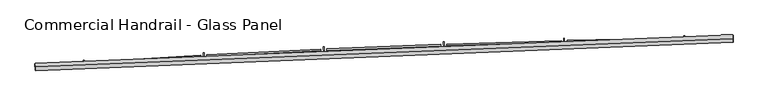
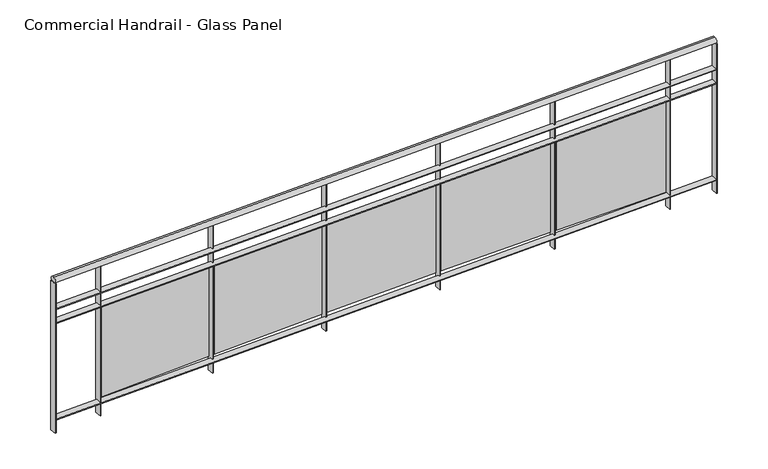
"""IFC4 building model written with IfcOpenShell, lengths in millimetres: railing geometry, Commercial Handrail - Glass Panel."""

import ifcopenshell
import ifcopenshell.guid

model = None  # the IFC model being written
_history = None  # IfcOwnerHistory: only IFC2X3 demands one
_inside = {}  # id of a spatial element -> (the spatial element, [elements in it])
_under = {}  # id of a project, library or spatial element -> (it, [spatial elements below it])
_declared = {}  # id of a project -> (the project, [libraries it declares])
_typed = {}  # id of a type object -> (the type object, [elements of that type])
_made_of = {}  # id of a material, layer set ... -> (it, [elements and type objects made of it])


def new_model(schema):
    """Start an empty IFC model of exactly this schema.

    Asked for "IFC4X3", IfcOpenShell would pick the latest addendum, in which some entities
    have other attributes; the version numbers below select the first issue.
    IFC2X3 requires an IfcOwnerHistory on every rooted entity: one is made here for all.
    """
    global model, _history
    if schema == "IFC4X3":
        model = ifcopenshell.file(schema_version=(4, 3, 0, 0))
    else:
        model = ifcopenshell.file(schema=schema)
    _inside.clear()
    _under.clear()
    _declared.clear()
    _typed.clear()
    _made_of.clear()
    _history = None
    if model.schema == "IFC2X3":
        org = make("IfcOrganization", Name="unknown")
        user = make(
            "IfcPersonAndOrganization",
            ThePerson=make("IfcPerson", FamilyName="unknown"),
            TheOrganization=org,
        )
        app = make(
            "IfcApplication",
            ApplicationDeveloper=org,
            Version="unknown",
            ApplicationFullName="unknown",
            ApplicationIdentifier="unknown",
        )
        _history = make(
            "IfcOwnerHistory",
            OwningUser=user,
            OwningApplication=app,
            ChangeAction="ADDED",
            CreationDate=0,
        )
    return model


def make(cls, **values):
    """One entity of the class cls with the attributes given. An attribute that is None is left unset."""
    return model.create_entity(
        cls, **{name: value for name, value in values.items() if value is not None}
    )


def rooted(cls, **values):
    """An entity with a GlobalId (a new one), such as an element, a storey or a relation."""
    return make(cls, GlobalId=ifcopenshell.guid.new(), OwnerHistory=_history, **values)


def si_unit(unit_type, name, prefix=None):
    """IfcSIUnit, for example si_unit("LENGTHUNIT", "METRE", prefix="MILLI")."""
    return make("IfcSIUnit", UnitType=unit_type, Prefix=prefix, Name=name)


def assignment(units):
    """IfcUnitAssignment: the units of a project."""
    return None if units is None else make("IfcUnitAssignment", Units=units)


def point(xyz):
    """IfcCartesianPoint."""
    return None if xyz is None else make("IfcCartesianPoint", Coordinates=xyz)


def direction(xyz):
    """IfcDirection."""
    return None if xyz is None else make("IfcDirection", DirectionRatios=xyz)


def frame(location, z_axis=None, x_axis=None):
    """IfcAxis2Placement3D, a coordinate frame: its origin and axes. An axis left out is left unset."""
    return make(
        "IfcAxis2Placement3D",
        Location=point(location),
        Axis=direction(z_axis),
        RefDirection=direction(x_axis),
    )


def origin():
    """The frame at (0, 0, 0) with its axes left unset."""
    return frame((0.0, 0.0, 0.0))


def place(relative_to, where):
    """IfcLocalPlacement: puts the frame where relative to a parent placement (None: the world)."""
    return make(
        "IfcLocalPlacement", PlacementRelTo=relative_to, RelativePlacement=where
    )


def context(
    kind, dimensions, precision=None, world=None, true_north=None, identifier=None
):
    """IfcGeometricRepresentationContext, for example the 3D "Model" context."""
    return make(
        "IfcGeometricRepresentationContext",
        ContextIdentifier=identifier,
        ContextType=kind,
        CoordinateSpaceDimension=dimensions,
        Precision=precision,
        WorldCoordinateSystem=world,
        TrueNorth=true_north,
    )


def project(units=None, contexts=None):
    """IfcProject with its units and contexts."""
    return rooted(
        "IfcProject",
        Name="project",
        RepresentationContexts=contexts,
        UnitsInContext=assignment(units),
    )


def spatial(cls, under=None, at=None, **own):
    """A site, building, storey or space (cls), placed at a placement, below another one or the project."""
    s = rooted(cls, ObjectPlacement=at, **own)
    if under is not None:
        _under.setdefault(under.id(), (under, []))[1].append(s)
    return s


def polyline(points):
    """IfcPolyline through the points."""
    return make("IfcPolyline", Points=[point(p) for p in points])


def circle_curve(where, radius):
    """IfcCircle in the frame where."""
    return make("IfcCircle", Position=where, Radius=radius)


def ellipse_curve(where, semi_axis1, semi_axis2):
    """IfcEllipse in the frame where."""
    return make(
        "IfcEllipse", Position=where, SemiAxis1=semi_axis1, SemiAxis2=semi_axis2
    )


def trimmed(basis, trim1, trim2, sense, master):
    """IfcTrimmedCurve: the piece of a basis curve between two trims."""
    return make(
        "IfcTrimmedCurve",
        BasisCurve=basis,
        Trim1=trim1,
        Trim2=trim2,
        SenseAgreement=sense,
        MasterRepresentation=master,
    )


def outline(outer, holes=None, kind="AREA"):
    """IfcArbitraryClosedProfileDef: a profile drawn as a closed curve; with holes, ...WithVoids."""
    if holes is None:
        return make("IfcArbitraryClosedProfileDef", ProfileType=kind, OuterCurve=outer)
    return make(
        "IfcArbitraryProfileDefWithVoids",
        ProfileType=kind,
        OuterCurve=outer,
        InnerCurves=holes,
    )


def extrude(swept, where, along, depth):
    """IfcExtrudedAreaSolid: the profile swept, set in the frame where, extruded along a direction by depth."""
    return make(
        "IfcExtrudedAreaSolid",
        SweptArea=swept,
        Position=where,
        ExtrudedDirection=direction(along),
        Depth=depth,
    )


def shape(context_of_items, identifier, shape_type, items):
    """IfcShapeRepresentation: the items that make up one representation, for example the "Body"."""
    return make(
        "IfcShapeRepresentation",
        ContextOfItems=context_of_items,
        RepresentationIdentifier=identifier,
        RepresentationType=shape_type,
        Items=items,
    )


def source(mapping_origin, context_of_items, identifier, shape_type, items):
    """IfcRepresentationMap: a shape defined once, which mapped items show again and again."""
    return make(
        "IfcRepresentationMap",
        MappingOrigin=mapping_origin,
        MappedRepresentation=shape(context_of_items, identifier, shape_type, items),
    )


def transform(
    local_origin,
    x_axis=None,
    y_axis=None,
    z_axis=None,
    scale=None,
    scale2=None,
    scale3=None,
    uniform=True,
):
    """IfcCartesianTransformationOperator3D, or its non-uniform kind. x_axis, y_axis, z_axis: its Axis1, 2, 3."""
    if uniform:
        return make(
            "IfcCartesianTransformationOperator3D",
            Axis1=direction(x_axis),
            Axis2=direction(y_axis),
            LocalOrigin=point(local_origin),
            Scale=scale,
            Axis3=direction(z_axis),
        )
    return make(
        "IfcCartesianTransformationOperator3DnonUniform",
        Axis1=direction(x_axis),
        Axis2=direction(y_axis),
        LocalOrigin=point(local_origin),
        Scale=scale,
        Axis3=direction(z_axis),
        Scale2=scale2,
        Scale3=scale3,
    )


def mapped(mapping_source, mapping_target):
    """IfcMappedItem: shows the shape of a source again, moved by a transform."""
    return make(
        "IfcMappedItem", MappingSource=mapping_source, MappingTarget=mapping_target
    )


def made_of(thing, what):
    """Note that an element or type object is made of a material, layer set ...; save() writes the relation."""
    if what is not None:
        _made_of.setdefault(what.id(), (what, []))[1].append(thing)
    return thing


def element(
    cls,
    number,
    at=None,
    inside=None,
    cuts=None,
    type_object=None,
    material=None,
    context=None,
    identifier="Body",
    shape_type=None,
    held_by="IfcProductDefinitionShape",
    body=None,
    shapes=None,
    **own,
):
    """One element of the class cls, such as IfcWall. Its Tag is "e" and its number.

    at: its placement. inside: the storey or other place that contains it. cuts: it is an
    opening in that element (IfcRelVoidsElement). A single representation is given by context,
    identifier, shape_type and body (its items); several are given by shapes. held_by: the class
    of the entity that holds the representations. save() writes the other relations.
    """
    e = rooted(cls, Tag="e%d" % number, ObjectPlacement=at, **own)
    if body is not None:
        shapes = [shape(context, identifier, shape_type, body)]
    if shapes is not None:
        e.Representation = make(held_by, Representations=shapes)
    if inside is not None:
        _inside.setdefault(inside.id(), (inside, []))[1].append(e)
    if cuts is not None:
        rooted(
            "IfcRelVoidsElement", RelatingBuildingElement=cuts, RelatedOpeningElement=e
        )
    if type_object is not None:
        _typed.setdefault(type_object.id(), (type_object, []))[1].append(e)
    return made_of(e, material)


def aggregate(whole, parts):
    """IfcRelAggregates: a whole, such as a stair, and the parts it consists of."""
    return rooted("IfcRelAggregates", RelatingObject=whole, RelatedObjects=parts)


def save(model, path):
    """Write the relations noted so far, then the file.

    IfcRelAggregates (storeys below a building ...), IfcRelContainedInSpatialStructure (elements
    in a storey), IfcRelDefinesByType, IfcRelAssociatesMaterial and IfcRelDeclares: one each for
    every whole, place, type object, material and project.
    """
    for whole, parts in _under.values():
        aggregate(whole, parts)
    for where, things in _inside.values():
        rooted(
            "IfcRelContainedInSpatialStructure",
            RelatedElements=things,
            RelatingStructure=where,
        )
    for kind, things in _typed.values():
        rooted("IfcRelDefinesByType", RelatedObjects=things, RelatingType=kind)
    for what, things in _made_of.values():
        rooted("IfcRelAssociatesMaterial", RelatedObjects=things, RelatingMaterial=what)
    for by, libraries in _declared.values():
        rooted("IfcRelDeclares", RelatingContext=by, RelatedDefinitions=libraries)
    model.write(path)


def plane_surface(at):
    """IfcPlane: the flat surface through the origin of the frame at, square to its z axis."""
    return make("IfcPlane", Position=at)


def cylinder_surface(at, radius):
    """IfcCylindricalSurface: all points at the distance radius from the z axis of the frame at."""
    return make("IfcCylindricalSurface", Position=at, Radius=radius)


def revolved_surface(curve, axis_point, axis_direction):
    """IfcSurfaceOfRevolution: the curve turned about the line through axis_point along axis_direction."""
    return make(
        "IfcSurfaceOfRevolution",
        SweptCurve=make("IfcArbitraryOpenProfileDef", ProfileType="CURVE", Curve=curve),
        AxisPosition=make("IfcAxis1Placement", Location=point(axis_point), Axis=direction(axis_direction)),
    )


def advanced_brep(points, edges, surfaces, faces):
    """IfcAdvancedBrep: a solid bounded by faces that lie on surfaces and meet in shared edges.

    An edge is (start, end): straight between two places in points (the first is 0);
    or (start, end, curve); or (start, end, curve, False) where it runs against its curve.
    A face is (place in surfaces, loops), or (place, loops, False) where it looks against
    its surface's normal. A loop lists edges by number (the first is 1), with a minus sign
    where the edge is run from its end to its start. The first loop is the outer one.
    """
    corners = [point(p) for p in points]
    vertices = [make("IfcVertexPoint", VertexGeometry=c) for c in corners]
    made = []
    for start, end, *more in edges:
        made.append(
            make(
                "IfcEdgeCurve",
                EdgeStart=vertices[start],
                EdgeEnd=vertices[end],
                EdgeGeometry=more[0] if more else make("IfcPolyline", Points=[corners[start], corners[end]]),
                SameSense=more[1] if len(more) > 1 else True,
            )
        )
    hull = []
    for where, loops, *sense in faces:
        bounds = []
        for j, loop in enumerate(loops):
            ring = [make("IfcOrientedEdge", EdgeElement=made[abs(k) - 1], Orientation=k > 0) for k in loop]
            bounds.append(
                make(
                    "IfcFaceOuterBound" if j == 0 else "IfcFaceBound",
                    Bound=make("IfcEdgeLoop", EdgeList=ring),
                    Orientation=True,
                )
            )
        hull.append(make("IfcAdvancedFace", Bounds=bounds, FaceSurface=surfaces[where], SameSense=sense[0] if sense else True))
    return make("IfcAdvancedBrep", Outer=make("IfcClosedShell", CfsFaces=hull))


def commercial_handrail_glass_panel_a0b59a0e(model_context):
    return source(origin(), model_context, "Body", "SolidModel", [
        advanced_brep(
        [(71505.6861982, -30835.0475146, 9482.5), (76144.1741708, -30647.2976365, 9482.5), (76144.1741708, -30647.2976365, 9517.5), (71505.6861982, -30835.0475146, 9517.5)],
        [
            (0, 1, circle_curve(frame((76915.8591208, -107104.6666099, 9482.5), z_axis=(0.0, 0.0, -1.0), x_axis=(-0.010092495439534601, 0.9999490694709421, 0.0)), 76461.263186)),
            (1, 2, ellipse_curve(frame((76144.1741708, -30647.2976365, 9500.0), z_axis=(-0.9999490694709422, -0.010092495439541008, 0.0), x_axis=(-0.010092495439541006, 0.999949069470942, 0.0)), 25.0, 17.5)),
            (2, 3, circle_curve(frame((76915.8591208, -107104.6666099, 9517.5), z_axis=(0.0, 0.0, 1.0), x_axis=(-0.010092495439534601, 0.9999490694709421, 0.0)), 76461.263186)),
            (3, 0, ellipse_curve(frame((71505.6861982, -30835.0475146, 9500.0), z_axis=(0.9974935793277843, 0.07075704346455958, 0.0), x_axis=(-0.07075704346455956, 0.997493579327784, 0.0)), 25.0, 17.5)),
            (2, 1, ellipse_curve(frame((76144.1741708, -30647.2976365, 9500.0), z_axis=(-0.9999490694709422, -0.010092495439541008, 0.0), x_axis=(-0.010092495439541006, 0.999949069470942, 0.0)), 25.0, 17.5)),
            (0, 3, ellipse_curve(frame((71505.6861982, -30835.0475146, 9500.0), z_axis=(0.9974935793277843, 0.07075704346455958, 0.0), x_axis=(-0.07075704346455956, 0.997493579327784, 0.0)), 25.0, 17.5)),
        ],
        [
            revolved_surface(trimmed(ellipse_curve(frame((76144.1741708, -30647.2976365, 9500.0), z_axis=(0.9999490694709421, 0.010092495439534601, 0.0), x_axis=(0.0, 0.0, -1.0)), 17.5, 25.0), [point((76144.1741708, -30647.2976365, 9517.5))], [point((76144.1741708, -30647.2976365, 9482.5))], True, "CARTESIAN"), (76915.8591208, -107104.6666099, 9500.0), (0.0, 0.0, 1.0)),
            revolved_surface(trimmed(ellipse_curve(frame((76144.1741708, -30647.2976365, 9500.0), z_axis=(0.9999490694709421, 0.010092495439534601, 0.0), x_axis=(0.0, 0.0, -1.0)), 17.5, 25.0), [point((76144.1741708, -30647.2976365, 9482.5))], [point((76144.1741708, -30647.2976365, 9517.5))], True, "CARTESIAN"), (76915.8591208, -107104.6666099, 9500.0), (0.0, 0.0, 1.0)),
            plane_surface(frame((76144.1741708, -30647.2976365, 9500.0), z_axis=(0.9999490694709421, 0.010092495439534601, 0.0), x_axis=(0.010092495439534601, -0.9999490694709421, 0.0))),
            plane_surface(frame((71505.6861982, -30835.0475146, 9500.0), z_axis=(-0.9974935793277843, -0.07075704346455959, 0.0), x_axis=(0.07075704346455959, -0.9974935793277843, 0.0))),
        ],
        [
            (0, [[1, 2, 3, 4]]),
            (1, [[-3, 5, -1, 6]]),
            (2, [[-2, -5]]),
            (3, [[-6, -4]]),
        ],
    ),
        advanced_brep(
        [(71507.2782316, -30857.4911202, 9300.0), (76144.4012519, -30669.7964906, 9300.0), (76143.9470896, -30624.7987825, 9300.0), (71504.0941647, -30812.6039091, 9300.0), (71507.2782316, -30857.4911202, 9294.0), (76144.4012519, -30669.7964906, 9294.0), (71504.0941647, -30812.6039091, 9294.0), (76143.9470896, -30624.7987825, 9294.0)],
        [
            (0, 1, circle_curve(frame((76915.8591208, -107104.6666099, 9300.0), z_axis=(0.0, 0.0, -1.0), x_axis=(-0.010092495439534601, 0.9999490694709421, 0.0)), 76438.763186)),
            (1, 2),
            (2, 3, circle_curve(frame((76915.8591208, -107104.6666099, 9300.0), z_axis=(0.0, 0.0, 1.0), x_axis=(-0.010092495439534601, 0.9999490694709421, 0.0)), 76483.763186)),
            (3, 0),
            (4, 5, circle_curve(frame((76915.8591208, -107104.6666099, 9294.0), z_axis=(0.0, 0.0, -1.0), x_axis=(-0.010092495439534601, 0.9999490694709421, 0.0)), 76438.763186)),
            (5, 1),
            (0, 4),
            (6, 7, circle_curve(frame((76915.8591208, -107104.6666099, 9294.0), z_axis=(0.0, 0.0, -1.0), x_axis=(-0.010092495439534601, 0.9999490694709421, 0.0)), 76483.763186)),
            (7, 5),
            (4, 6),
            (2, 7),
            (6, 3),
        ],
        [
            plane_surface(frame((76915.8591208, -107104.6666099, 9300.0), z_axis=(0.0, 0.0, 1.0), x_axis=(-0.010092495439534601, 0.9999490694709421, 0.0))),
            revolved_surface(polyline([(76144.40125194163, -30669.796490549605, 9300.0), (76144.40125194163, -30669.796490549605, 9294.0)]), (76915.8591208, -107104.6666099, 9300.0), (0.0, 0.0, 1.0)),
            plane_surface(frame((76915.8591208, -107104.6666099, 9294.0), z_axis=(0.0, 0.0, -1.0), x_axis=(-0.010092495439534601, 0.9999490694709421, 0.0))),
            cylinder_surface(frame((76915.8591208, -107104.6666099, 9300.0), z_axis=(0.0, 0.0, 1.0), x_axis=(-0.010092495439534601, 0.9999490694709421, 0.0)), 76483.763186),
            plane_surface(frame((76144.1741708, -30647.2976365, 9300.0), z_axis=(0.9999490694709421, 0.010092495439534601, 0.0), x_axis=(0.010092495439534601, -0.9999490694709421, 0.0))),
            plane_surface(frame((71505.6861982, -30835.0475146, 9300.0), z_axis=(-0.9974935793277843, -0.07075704346455959, 0.0), x_axis=(0.07075704346455959, -0.9974935793277843, 0.0))),
        ],
        [
            (0, [[1, 2, 3, 4]]),
            (1, [[5, 6, -1, 7]]),
            (2, [[8, 9, -5, 10]]),
            (3, [[-3, 11, -8, 12]]),
            (4, [[-2, -6, -9, -11]]),
            (5, [[-12, -10, -7, -4]]),
        ],
    ),
        advanced_brep(
        [(71507.2782316, -30857.4911202, 9200.0), (76144.4012519, -30669.7964906, 9200.0), (76143.9470896, -30624.7987825, 9200.0), (71504.0941647, -30812.6039091, 9200.0), (71507.2782316, -30857.4911202, 9194.0), (76144.4012519, -30669.7964906, 9194.0), (71504.0941647, -30812.6039091, 9194.0), (76143.9470896, -30624.7987825, 9194.0)],
        [
            (0, 1, circle_curve(frame((76915.8591208, -107104.6666099, 9200.0), z_axis=(0.0, 0.0, -1.0), x_axis=(-0.010092495439534601, 0.9999490694709421, 0.0)), 76438.763186)),
            (1, 2),
            (2, 3, circle_curve(frame((76915.8591208, -107104.6666099, 9200.0), z_axis=(0.0, 0.0, 1.0), x_axis=(-0.010092495439534601, 0.9999490694709421, 0.0)), 76483.763186)),
            (3, 0),
            (4, 5, circle_curve(frame((76915.8591208, -107104.6666099, 9194.0), z_axis=(0.0, 0.0, -1.0), x_axis=(-0.010092495439534601, 0.9999490694709421, 0.0)), 76438.763186)),
            (5, 1),
            (0, 4),
            (6, 7, circle_curve(frame((76915.8591208, -107104.6666099, 9194.0), z_axis=(0.0, 0.0, -1.0), x_axis=(-0.010092495439534601, 0.9999490694709421, 0.0)), 76483.763186)),
            (7, 5),
            (4, 6),
            (2, 7),
            (6, 3),
        ],
        [
            plane_surface(frame((76915.8591208, -107104.6666099, 9200.0), z_axis=(0.0, 0.0, 1.0), x_axis=(-0.010092495439534601, 0.9999490694709421, 0.0))),
            revolved_surface(polyline([(76144.40125194163, -30669.796490549605, 9200.0), (76144.40125194163, -30669.796490549605, 9194.0)]), (76915.8591208, -107104.6666099, 9200.0), (0.0, 0.0, 1.0)),
            plane_surface(frame((76915.8591208, -107104.6666099, 9194.0), z_axis=(0.0, 0.0, -1.0), x_axis=(-0.010092495439534601, 0.9999490694709421, 0.0))),
            cylinder_surface(frame((76915.8591208, -107104.6666099, 9200.0), z_axis=(0.0, 0.0, 1.0), x_axis=(-0.010092495439534601, 0.9999490694709421, 0.0)), 76483.763186),
            plane_surface(frame((76144.1741708, -30647.2976365, 9200.0), z_axis=(0.9999490694709421, 0.010092495439534601, 0.0), x_axis=(0.010092495439534601, -0.9999490694709421, 0.0))),
            plane_surface(frame((71505.6861982, -30835.0475146, 9200.0), z_axis=(-0.9974935793277843, -0.07075704346455959, 0.0), x_axis=(0.07075704346455959, -0.9974935793277843, 0.0))),
        ],
        [
            (0, [[1, 2, 3, 4]]),
            (1, [[5, 6, -1, 7]]),
            (2, [[8, 9, -5, 10]]),
            (3, [[-3, 11, -8, 12]]),
            (4, [[-2, -6, -9, -11]]),
            (5, [[-12, -10, -7, -4]]),
        ],
    ),
        advanced_brep(
        [(71507.2782316, -30857.4911202, 8500.0), (76144.4012519, -30669.7964906, 8500.0), (76143.9470896, -30624.7987825, 8500.0), (71504.0941647, -30812.6039091, 8500.0), (71507.2782316, -30857.4911202, 8494.0), (76144.4012519, -30669.7964906, 8494.0), (71504.0941647, -30812.6039091, 8494.0), (76143.9470896, -30624.7987825, 8494.0)],
        [
            (0, 1, circle_curve(frame((76915.8591208, -107104.6666099, 8500.0), z_axis=(0.0, 0.0, -1.0), x_axis=(-0.010092495439534601, 0.9999490694709421, 0.0)), 76438.763186)),
            (1, 2),
            (2, 3, circle_curve(frame((76915.8591208, -107104.6666099, 8500.0), z_axis=(0.0, 0.0, 1.0), x_axis=(-0.010092495439534601, 0.9999490694709421, 0.0)), 76483.763186)),
            (3, 0),
            (4, 5, circle_curve(frame((76915.8591208, -107104.6666099, 8494.0), z_axis=(0.0, 0.0, -1.0), x_axis=(-0.010092495439534601, 0.9999490694709421, 0.0)), 76438.763186)),
            (5, 1),
            (0, 4),
            (6, 7, circle_curve(frame((76915.8591208, -107104.6666099, 8494.0), z_axis=(0.0, 0.0, -1.0), x_axis=(-0.010092495439534601, 0.9999490694709421, 0.0)), 76483.763186)),
            (7, 5),
            (4, 6),
            (2, 7),
            (6, 3),
        ],
        [
            plane_surface(frame((76915.8591208, -107104.6666099, 8500.0), z_axis=(0.0, 0.0, 1.0), x_axis=(-0.010092495439534601, 0.9999490694709421, 0.0))),
            revolved_surface(polyline([(76144.40125194163, -30669.796490549605, 8500.0), (76144.40125194163, -30669.796490549605, 8494.0)]), (76915.8591208, -107104.6666099, 8500.0), (0.0, 0.0, 1.0)),
            plane_surface(frame((76915.8591208, -107104.6666099, 8494.0), z_axis=(0.0, 0.0, -1.0), x_axis=(-0.010092495439534601, 0.9999490694709421, 0.0))),
            cylinder_surface(frame((76915.8591208, -107104.6666099, 8500.0), z_axis=(0.0, 0.0, 1.0), x_axis=(-0.010092495439534601, 0.9999490694709421, 0.0)), 76483.763186),
            plane_surface(frame((76144.1741708, -30647.2976365, 8500.0), z_axis=(0.9999490694709421, 0.010092495439534601, 0.0), x_axis=(0.010092495439534601, -0.9999490694709421, 0.0))),
            plane_surface(frame((71505.6861982, -30835.0475146, 8500.0), z_axis=(-0.9974935793277843, -0.07075704346455959, 0.0), x_axis=(0.07075704346455959, -0.9974935793277843, 0.0))),
        ],
        [
            (0, [[1, 2, 3, 4]]),
            (1, [[5, 6, -1, 7]]),
            (2, [[8, 9, -5, 10]]),
            (3, [[-3, 11, -8, 12]]),
            (4, [[-2, -6, -9, -11]]),
            (5, [[-12, -10, -7, -4]]),
        ],
    ),
        extrude(outline(polyline([(71827.922694, -30790.3236395), (71830.9179943, -30835.2238419), (71824.9313006, -30835.6232153), (71821.9360003, -30790.7230129), (71827.922694, -30790.3236395)])), frame((0.0, 0.0, 8400.0), z_axis=(0.0, 0.0, 1.0), x_axis=(1.0, 0.0, 0.0)), (0.0, 0.0, 1.0), 1082.1192282),
        extrude(outline(polyline([(72605.2601762, -30770.0715329), (71846.6913818, -30816.6911009), (71845.9552833, -30804.7136989), (72604.5240778, -30758.0941309), (72605.2601762, -30770.0715329)])), frame((0.0, 0.0, 8520.0), z_axis=(0.0, 0.0, 1.0), x_axis=(1.0, 0.0, 0.0)), (0.0, 0.0, 1.0), 660.0),
        extrude(outline(polyline([(72626.649414, -30741.2675225), (72629.1747764, -30786.1966061), (72623.184232, -30786.533321), (72620.6588695, -30741.6042375), (72626.649414, -30741.2675225)])), frame((0.0, 0.0, 8400.0), z_axis=(0.0, 0.0, 1.0), x_axis=(1.0, 0.0, 0.0)), (0.0, 0.0, 1.0), 1082.1192282),
        extrude(outline(polyline([(73404.156239, -30729.1495138), (72645.1412017, -30767.8299104), (72644.5304586, -30755.8454624), (73403.5454959, -30717.1650658), (73404.156239, -30729.1495138)])), frame((0.0, 0.0, 8520.0), z_axis=(0.0, 0.0, 1.0), x_axis=(1.0, 0.0, 0.0)), (0.0, 0.0, 1.0), 660.0),
        extrude(outline(polyline([(73425.8456716, -30700.5708675), (73427.9008197, -30745.5239138), (73421.9070802, -30745.7979335), (73419.8519321, -30700.8448873), (73425.8456716, -30700.5708675)])), frame((0.0, 0.0, 8400.0), z_axis=(0.0, 0.0, 1.0), x_axis=(1.0, 0.0, 0.0)), (0.0, 0.0, 1.0), 1082.1192282),
        extrude(outline(polyline([(74203.4367261, -30696.5882832), (73444.0585349, -30727.3252741), (73443.573214, -30715.3350921), (74202.9514052, -30684.5981012), (74203.4367261, -30696.5882832)])), frame((0.0, 0.0, 8520.0), z_axis=(0.0, 0.0, 1.0), x_axis=(1.0, 0.0, 0.0)), (0.0, 0.0, 1.0), 660.0),
        extrude(outline(polyline([(74225.4239791, -30668.2381295), (74227.008688, -30713.2102175), (74221.0124096, -30713.4215121), (74219.4277008, -30668.4494241), (74225.4239791, -30668.2381295)])), frame((0.0, 0.0, 8400.0), z_axis=(0.0, 0.0, 1.0), x_axis=(1.0, 0.0, 0.0)), (0.0, 0.0, 1.0), 1082.1192282),
        extrude(outline(polyline([(75003.0141407, -30672.3914055), (74243.3559243, -30695.1816261), (74242.9960787, -30683.1870226), (75002.6542952, -30660.3968021), (75003.0141407, -30672.3914055)])), frame((0.0, 0.0, 8520.0), z_axis=(0.0, 0.0, 1.0), x_axis=(1.0, 0.0, 0.0)), (0.0, 0.0, 1.0), 660.0),
        extrude(outline(polyline([(75025.2968073, -30644.272848), (75026.4109034, -30689.2590547), (75020.4127425, -30689.4076008), (75019.2986464, -30644.4213942), (75025.2968073, -30644.272848)])), frame((0.0, 0.0, 8400.0), z_axis=(0.0, 0.0, 1.0), x_axis=(1.0, 0.0, 0.0)), (0.0, 0.0, 1.0), 1082.1192282),
        extrude(outline(polyline([(75802.8009535, -30656.5615297), (75042.9458712, -30671.402485), (75042.7115404, -30659.4047731), (75802.5666226, -30644.5638179), (75802.8009535, -30656.5615297)])), frame((0.0, 0.0, 8520.0), z_axis=(0.0, 0.0, 1.0), x_axis=(1.0, 0.0, 0.0)), (0.0, 0.0, 1.0), 660.0),
        extrude(outline(polyline([(75825.3765943, -30628.6776464), (75826.0199557, -30673.6730471), (75820.0205689, -30673.7588287), (75819.3772075, -30628.7634279), (75825.3765943, -30628.6776464)])), frame((0.0, 0.0, 8400.0), z_axis=(0.0, 0.0, 1.0), x_axis=(1.0, 0.0, 0.0)), (0.0, 0.0, 1.0), 1082.1192282),
        extrude(outline(polyline([(71507.0866454, -30812.391638), (71510.2707124, -30857.278849), (71504.2857509, -30857.7033913), (71501.101684, -30812.8161802), (71507.0866454, -30812.391638)])), frame((0.0, 0.0, 8400.0), z_axis=(0.0, 0.0, 1.0), x_axis=(1.0, 0.0, 0.0)), (0.0, 0.0, 1.0), 1082.1192282),
        extrude(outline(polyline([(76146.9469368, -30624.768505), (76147.4010991, -30669.7662131), (76141.4014047, -30669.8267681), (76140.9472424, -30624.82906), (76146.9469368, -30624.768505)])), frame((0.0, 0.0, 8400.0), z_axis=(0.0, 0.0, 1.0), x_axis=(1.0, 0.0, 0.0)), (0.0, 0.0, 1.0), 1082.1192282),
    ])


if __name__ == "__main__":
    model = new_model("IFC4")
    model_context = context("Model", 3, world=origin())
    ifc_project = project(units=[si_unit("LENGTHUNIT", "METRE", prefix="MILLI")], contexts=[model_context])
    site = spatial("IfcSite", under=ifc_project)
    building = spatial("IfcBuilding", under=site)
    placement = place(None, origin())
    commercial_handrail_glass_panel_shape = commercial_handrail_glass_panel_a0b59a0e(model_context)
    element("IfcRailing", 1, ObjectType="Commercial Handrail - Glass Panel", at=placement, inside=building, context=model_context, shape_type="MappedRepresentation", body=[
        mapped(commercial_handrail_glass_panel_shape, transform((0.0, 0.0, 0.0), x_axis=(1.0, 0.0, 0.0), y_axis=(0.0, 1.0, 0.0), z_axis=(0.0, 0.0, 1.0))),
    ])
    save(model, "model.ifc")
